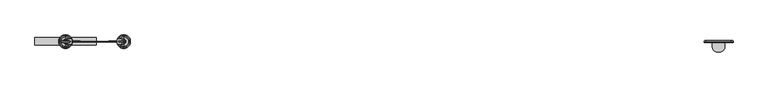
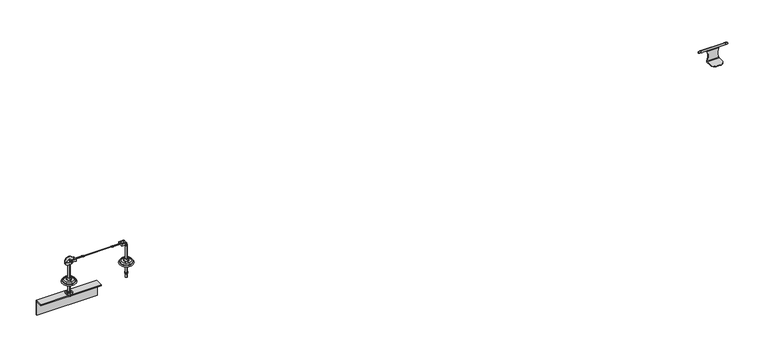
"""IFC4 building model written with IfcOpenShell, lengths in millimetres: proxy geometry."""

from ifc_helpers import new_model, si_unit, point, frame, frame_2d, origin, origin_2d, place, context, project, spatial, polyline, circle_curve, ellipse_curve, trimmed, segment, composite_curve, outline, extrude, source, transform, mapped, element, save
from ifc_brep_helpers import plane_surface, cylinder_surface, revolved_surface, advanced_brep


def specialty_equipment_351a2531(model_context):
    return source(origin(), model_context, "Body", "SolidModel", [
        advanced_brep(
        [(4310.0, -1.0, 57.0), (4310.0, 2.0, 60.0), (4310.0, 2.0, 63.0), (4310.0, -1.0, 63.0), (4310.0, -4.0, 60.0), (4310.0, -38.5, 60.0), (4310.0, -38.5, 57.0), (4310.0, 2.0, 130.6941216), (4310.0, 2.1809221, 131.6278656), (4310.0, 4.1490388, 138.4964536), (4310.0, 0.0, 137.0), (4310.0, -3.3038426, 137.9022661), (4310.0, -1.1809221, 131.720182), (4310.0, -1.0, 130.6941216), (4230.0, -4.0, 60.0), (4230.0, -1.0, 63.0), (4230.0, 2.0, 63.0), (4230.0, 2.0, 60.0), (4230.0, -1.0, 57.0), (4230.0, -38.5, 57.0), (4230.0, -38.5, 60.0), (4230.0, -1.0, 130.6941216), (4230.0, -1.1809221, 131.720182), (4230.0, -3.3038426, 137.9022661), (4230.0, 0.0, 137.0), (4230.0, 4.1490388, 138.4964536), (4230.0, 2.1809221, 131.6278656), (4230.0, 2.0, 130.6941216), (4260.0, -68.5, 60.0), (4280.0, -68.5, 60.0), (4260.0, -68.5, 57.0), (4280.0, -68.5, 57.0), (4190.0881149, 0.0, 137.0), (4190.0881149, 0.0, 150.0), (4349.9118851, 0.0, 150.0), (4349.9118851, 0.0, 137.0), (4364.9999054, 0.0, 138.5), (4364.9999054, 0.0, 148.5), (4175.0000946, 0.0, 148.5), (4175.0000946, 0.0, 138.5), (4185.411439, 0.0, 149.7256681), (4185.411439, 0.0, 137.2743319), (4354.588561, 0.0, 137.2743319), (4354.588561, 0.0, 149.7256681)],
        [
            (0, 1, circle_curve(frame((4310.0, -1.0, 60.0), z_axis=(1.0, 0.0, 0.0), x_axis=(0.0, 1.0, 0.0)), 3.0)),
            (1, 2),
            (2, 3),
            (3, 4, circle_curve(frame((4310.0, -4.0, 63.0), z_axis=(-1.0, 0.0, 0.0), x_axis=(0.0, 1.0, 0.0)), 3.0)),
            (4, 5),
            (5, 6),
            (6, 0),
            (7, 8, circle_curve(frame((4310.0, 4.5, 130.6941216), z_axis=(-1.0, 0.0, 0.0), x_axis=(0.0, 1.0, 0.0)), 2.5)),
            (8, 9),
            (9, 10, circle_curve(frame((4310.0, 0.0, 143.5), z_axis=(-1.0, 0.0, 0.0), x_axis=(0.0, 0.0, 1.0)), 6.5)),
            (10, 11, circle_curve(frame((4310.0, 0.0, 143.5), z_axis=(-1.0, 0.0, 0.0), x_axis=(0.0, 0.0, 1.0)), 6.5)),
            (11, 12),
            (12, 13, circle_curve(frame((4310.0, -4.0, 130.6941216), z_axis=(-1.0, 0.0, 0.0), x_axis=(0.0, 1.0, 0.0)), 3.0)),
            (13, 7),
            (14, 15, circle_curve(frame((4230.0, -4.0, 63.0), z_axis=(1.0, 0.0, 0.0), x_axis=(0.0, 1.0, 0.0)), 3.0)),
            (15, 16),
            (16, 17),
            (17, 18, circle_curve(frame((4230.0, -1.0, 60.0), z_axis=(-1.0, 0.0, 0.0), x_axis=(0.0, 1.0, 0.0)), 3.0)),
            (18, 19),
            (19, 20),
            (20, 14),
            (21, 22, circle_curve(frame((4230.0, -4.0, 130.6941216), z_axis=(1.0, 0.0, 0.0), x_axis=(0.0, 1.0, 0.0)), 3.0)),
            (22, 23),
            (23, 24, circle_curve(frame((4230.0, 0.0, 143.5), z_axis=(1.0, 0.0, 0.0), x_axis=(0.0, 0.0, 1.0)), 6.5)),
            (24, 25, circle_curve(frame((4230.0, 0.0, 143.5), z_axis=(1.0, 0.0, 0.0), x_axis=(0.0, 0.0, 1.0)), 6.5)),
            (25, 26),
            (26, 27, circle_curve(frame((4230.0, 4.5, 130.6941216), z_axis=(1.0, 0.0, 0.0), x_axis=(0.0, 1.0, 0.0)), 2.5)),
            (27, 21),
            (0, 18),
            (17, 1),
            (16, 27, circle_curve(frame((4168.7270331, 2.0, 96.8470608), z_axis=(0.0, -1.0, 0.0), x_axis=(0.0, 0.0, 1.0)), 70.0)),
            (27, 7),
            (7, 2, circle_curve(frame((4371.2729669, 2.0, 96.8470608), z_axis=(0.0, -1.0, 0.0), x_axis=(0.0, 0.0, 1.0)), 70.0)),
            (3, 15),
            (14, 4),
            (20, 28, circle_curve(frame((4260.0, -38.5, 60.0), z_axis=(0.0, 0.0, 1.0), x_axis=(1.0, 0.0, 0.0)), 30.0)),
            (28, 29),
            (29, 5, circle_curve(frame((4280.0, -38.5, 60.0), z_axis=(0.0, 0.0, 1.0), x_axis=(1.0, 0.0, 0.0)), 30.0)),
            (28, 30),
            (30, 31),
            (31, 29),
            (6, 31, circle_curve(frame((4280.0, -38.5, 57.0), z_axis=(0.0, 0.0, -1.0), x_axis=(1.0, 0.0, 0.0)), 30.0)),
            (30, 19, circle_curve(frame((4260.0, -38.5, 57.0), z_axis=(0.0, 0.0, -1.0), x_axis=(1.0, 0.0, 0.0)), 30.0)),
            (3, 13, circle_curve(frame((4371.2729669, -1.0, 96.8470608), z_axis=(0.0, 1.0, 0.0), x_axis=(0.0, 0.0, 1.0)), 70.0)),
            (13, 21),
            (21, 15, circle_curve(frame((4168.7270331, -1.0, 96.8470608), z_axis=(0.0, 1.0, 0.0), x_axis=(0.0, 0.0, 1.0)), 70.0)),
            (8, 26),
            (25, 9),
            (22, 12),
            (11, 23),
            (32, 33, circle_curve(frame((4190.0881149, 0.0, 143.5), z_axis=(1.0, 0.0, 0.0), x_axis=(0.0, 0.0, 1.0)), 6.5)),
            (33, 34),
            (34, 35, circle_curve(frame((4349.9118851, 0.0, 143.5), z_axis=(-1.0, 0.0, 0.0), x_axis=(0.0, 0.0, 1.0)), 6.5)),
            (35, 10),
            (24, 32),
            (33, 32, circle_curve(frame((4190.0881149, 0.0, 143.5), z_axis=(1.0, 0.0, 0.0), x_axis=(0.0, 0.0, 1.0)), 6.5)),
            (35, 34, circle_curve(frame((4349.9118851, 0.0, 143.5), z_axis=(-1.0, 0.0, 0.0), x_axis=(0.0, 0.0, 1.0)), 6.5)),
            (36, 37, circle_curve(frame((4364.9999054, 0.0, 143.5), z_axis=(1.0, 0.0, 0.0), x_axis=(0.0, 0.0, 1.0)), 5.0)),
            (37, 38),
            (38, 39, circle_curve(frame((4175.0000946, 0.0, 143.5), z_axis=(-1.0, 0.0, 0.0), x_axis=(0.0, 0.0, 1.0)), 5.0)),
            (39, 36),
            (37, 36, circle_curve(frame((4364.9999054, 0.0, 143.5), z_axis=(1.0, 0.0, 0.0), x_axis=(0.0, 0.0, 1.0)), 5.0)),
            (39, 38, circle_curve(frame((4175.0000946, 0.0, 143.5), z_axis=(-1.0, 0.0, 0.0), x_axis=(0.0, 0.0, 1.0)), 5.0)),
            (38, 40),
            (40, 41, circle_curve(frame((4185.411439, 0.0, 143.5), z_axis=(-1.0, 0.0, 0.0), x_axis=(0.0, 0.0, 1.0)), 6.2256681)),
            (41, 39),
            (41, 40, circle_curve(frame((4185.411439, 0.0, 143.5), z_axis=(-1.0, 0.0, 0.0), x_axis=(0.0, 0.0, 1.0)), 6.2256681)),
            (36, 42),
            (42, 43, circle_curve(frame((4354.588561, 0.0, 143.5), z_axis=(1.0, 0.0, 0.0), x_axis=(0.0, 0.0, 1.0)), 6.2256681)),
            (43, 37),
            (43, 42, circle_curve(frame((4354.588561, 0.0, 143.5), z_axis=(1.0, 0.0, 0.0), x_axis=(0.0, 0.0, 1.0)), 6.2256681)),
            (34, 43, circle_curve(frame((4349.9118851, 0.0, 110.0), z_axis=(0.0, 1.0, 0.0), x_axis=(-1.0, 0.0, 0.0)), 40.0)),
            (42, 35, circle_curve(frame((4349.9118851, 0.0, 177.0), z_axis=(0.0, 1.0, 0.0), x_axis=(-1.0, 0.0, 0.0)), 40.0)),
            (32, 41, circle_curve(frame((4190.0881149, 0.0, 177.0), z_axis=(0.0, 1.0, 0.0), x_axis=(-1.0, 0.0, 0.0)), 40.0)),
            (40, 33, circle_curve(frame((4190.0881149, 0.0, 110.0), z_axis=(0.0, 1.0, 0.0), x_axis=(-1.0, 0.0, 0.0)), 40.0)),
        ],
        [
            plane_surface(frame((4310.0, 2.0, 60.0), z_axis=(1.0, 0.0, 0.0), x_axis=(0.0, 0.0, 1.0))),
            plane_surface(frame((4230.0, 2.0, 60.0), z_axis=(-1.0, 0.0, 0.0), x_axis=(0.0, 0.0, -1.0))),
            cylinder_surface(frame((4230.0, -1.0, 60.0), z_axis=(1.0, 0.0, 0.0), x_axis=(0.0, 1.0, 0.0)), 3.0),
            plane_surface(frame((4310.0, 2.0, 60.0), z_axis=(0.0, 1.0, 0.0), x_axis=(-1.0, 0.0, 0.0))),
            revolved_surface(polyline([(4230.0, -1.0, 63.0), (4310.0, -1.0, 63.0)]), (4230.0, -4.0, 63.0), (-1.0, 0.0, 0.0)),
            plane_surface(frame((4310.0, -4.0, 60.0), z_axis=(0.0, 0.0, 1.0), x_axis=(-1.0, 0.0, 0.0))),
            plane_surface(frame((4310.0, -68.5, 60.0), z_axis=(0.0, -1.0, 0.0), x_axis=(-1.0, 0.0, 0.0))),
            plane_surface(frame((4310.0, -68.5, 57.0), z_axis=(0.0, 0.0, -1.0), x_axis=(-1.0, 0.0, 0.0))),
            plane_surface(frame((4310.0, -1.0, 130.6941216), z_axis=(0.0, -1.0, 0.0), x_axis=(-1.0, 0.0, 0.0))),
            plane_surface(frame((4310.0, 2.1809221, 131.6278656), z_axis=(0.0, 0.9613143075666197, -0.2754538111330294), x_axis=(-1.0, 0.0, 0.0))),
            plane_surface(frame((4310.0, -3.5026758, 138.4812817), z_axis=(0.0, -0.9457886598192529, -0.3247827134520888), x_axis=(-1.0, 0.0, 0.0))),
            revolved_surface(polyline([(4230.0, 7.0, 130.6941216), (4310.0, 7.0, 130.6941216)]), (4230.0, 4.5, 130.6941216), (-1.0, 0.0, 0.0)),
            revolved_surface(polyline([(4230.0, -1.0, 130.6941216), (4310.0, -1.0, 130.6941216)]), (4230.0, -4.0, 130.6941216), (-1.0, 0.0, 0.0)),
            revolved_surface(polyline([(4168.7270331, 2.0, 166.8470608), (4168.7270331, -1.0, 166.8470608)]), (4168.7270331, -1.0, 96.8470608), (0.0, 1.0, 0.0)),
            revolved_surface(polyline([(4371.2729669, 2.0, 166.8470608), (4371.2729669, -1.0, 166.8470608)]), (4371.2729669, -1.0, 96.8470608), (0.0, 1.0, 0.0)),
            cylinder_surface(frame((4260.0, -38.5, 60.0), z_axis=(0.0, 0.0, 1.0), x_axis=(1.0, 0.0, 0.0)), 30.0),
            cylinder_surface(frame((4280.0, -38.5, 60.0), z_axis=(0.0, 0.0, 1.0), x_axis=(1.0, 0.0, 0.0)), 30.0),
            cylinder_surface(frame((4175.0, 0.0, 143.5), z_axis=(-1.0, 0.0, 0.0), x_axis=(0.0, 0.0, 1.0)), 6.5),
            revolved_surface(polyline([(4175.0000946, 0.0, 148.5), (4364.9999054, 0.0, 148.5)]), (4175.0, 0.0, 143.5), (-1.0, 0.0, 0.0)),
            revolved_surface(polyline([(4185.411439, 0.0, 149.7256681), (4175.0000946, 0.0, 148.5)]), (4175.0, 0.0, 143.5), (-1.0, 0.0, 0.0)),
            revolved_surface(polyline([(4364.9999054, 0.0, 148.5), (4354.588561, 0.0, 149.7256681)]), (4175.0, 0.0, 143.5), (-1.0, 0.0, 0.0)),
            revolved_surface(trimmed(ellipse_curve(frame((4349.9118851, 0.0, 110.0), z_axis=(0.0, -1.0, 0.0), x_axis=(-1.0, 0.0, 0.0)), 40.0, 40.0), [point((4354.588561, 0.0, 149.7256681))], [point((4349.9118851, 0.0, 150.0))], True, "CARTESIAN"), (4175.0, 0.0, 143.5), (-1.0, 0.0, 0.0)),
            revolved_surface(trimmed(ellipse_curve(frame((4190.0881149, 0.0, 110.0), z_axis=(0.0, -1.0, 0.0), x_axis=(-1.0, 0.0, 0.0)), 40.0, 40.0), [point((4190.0881149, 0.0, 150.0))], [point((4185.411439, 0.0, 149.7256681))], True, "CARTESIAN"), (4175.0, 0.0, 143.5), (-1.0, 0.0, 0.0)),
        ],
        [
            (0, [[1, 2, 3, 4, 5, 6, 7]]),
            (0, [[8, 9, 10, 11, 12, 13, 14]]),
            (1, [[15, 16, 17, 18, 19, 20, 21]]),
            (1, [[22, 23, 24, 25, 26, 27, 28]]),
            (2, [[-1, 29, -18, 30]]),
            (3, [[-30, -17, 31, 32, 33, -2]]),
            (4, [[-4, 34, -15, 35]]),
            (5, [[-35, -21, 36, 37, 38, -5]]),
            (6, [[-37, 39, 40, 41]]),
            (7, [[-29, -7, 42, -40, 43, -19]]),
            (8, [[-34, 44, 45, 46]]),
            (9, [[47, -26, 48, -9]]),
            (10, [[49, -12, 50, -23]]),
            (11, [[-8, -32, -27, -47]]),
            (12, [[-13, -49, -22, -45]]),
            (13, [[-16, -46, -28, -31]]),
            (14, [[-14, -44, -3, -33]]),
            (15, [[-20, -43, -39, -36]]),
            (16, [[-6, -38, -41, -42]]),
            (17, [[51, 52, 53, 54, -10, -48, -25, 55]]),
            (17, [[-52, 56, -55, -24, -50, -11, -54, 57]]),
            (18, [[58, 59, 60, 61]]),
            (18, [[-59, 62, -61, 63]]),
            (19, [[-60, 64, 65, 66]]),
            (19, [[-63, -66, 67, -64]]),
            (20, [[-58, 68, 69, 70]]),
            (20, [[-62, -70, 71, -68]]),
            (21, [[-53, 72, -69, 73]]),
            (21, [[-57, -73, -71, -72]]),
            (22, [[-51, 74, -65, 75]]),
            (22, [[-56, -75, -67, -74]]),
        ],
    ),
        advanced_brep(
        [(0.0, 45.0, 0.0), (0.0, -45.0, 0.0), (0.0, -7.0, 0.0), (0.0, 7.0, 0.0), (0.0, -7.0, -100.0), (0.0, 7.0, -100.0), (0.0, 0.0, -100.0), (0.0, 0.0, 121.6303144), (0.0, -6.9, 121.6303144), (0.0, 6.9, 121.6303144), (0.0, -6.9, 28.0512021), (0.0, 6.9, 28.0512021), (0.0, 7.995656, 24.9277269), (0.0, -7.995656, 24.9277269), (0.0, -13.6366177, 17.8765248), (0.0, 13.6366177, 17.8765248), (0.0, 17.5409617, 16.0), (0.0, -17.5409617, 16.0), (0.0, -30.1640518, 16.0), (0.0, 30.1640518, 16.0), (0.0, -37.6378375, 8.5262143), (0.0, 37.6378375, 8.5262143), (0.0, -37.6378375, 6.8656759), (0.0, 37.6378375, 6.8656759), (0.0, -38.448306, 5.8712826), (0.0, 38.448306, 5.8712826)],
        [
            (0, 1, circle_curve(frame((0.0, 0.0, 0.0), z_axis=(0.0, 0.0, -1.0), x_axis=(0.0, -1.0, 0.0)), 45.0)),
            (1, 2),
            (2, 3, circle_curve(frame((0.0, 0.0, 0.0), z_axis=(0.0, 0.0, 1.0), x_axis=(0.0, -1.0, 0.0)), 7.0)),
            (3, 0),
            (1, 0, circle_curve(frame((0.0, 0.0, 0.0), z_axis=(0.0, 0.0, -1.0), x_axis=(0.0, -1.0, 0.0)), 45.0)),
            (3, 2, circle_curve(frame((0.0, 0.0, 0.0), z_axis=(0.0, 0.0, 1.0), x_axis=(0.0, -1.0, 0.0)), 7.0)),
            (2, 4),
            (4, 5, circle_curve(frame((0.0, 0.0, -100.0), z_axis=(0.0, 0.0, 1.0), x_axis=(0.0, -1.0, 0.0)), 7.0)),
            (5, 3),
            (5, 4, circle_curve(frame((0.0, 0.0, -100.0), z_axis=(0.0, 0.0, 1.0), x_axis=(0.0, -1.0, 0.0)), 7.0)),
            (4, 6),
            (6, 5),
            (7, 8),
            (8, 9, circle_curve(frame((0.0, 0.0, 121.6303144), z_axis=(0.0, 0.0, 1.0), x_axis=(0.0, -1.0, 0.0)), 6.9)),
            (9, 7),
            (9, 8, circle_curve(frame((0.0, 0.0, 121.6303144), z_axis=(0.0, 0.0, 1.0), x_axis=(0.0, -1.0, 0.0)), 6.9)),
            (8, 10),
            (10, 11, circle_curve(frame((0.0, 0.0, 28.0512021), z_axis=(0.0, 0.0, 1.0), x_axis=(0.0, -1.0, 0.0)), 6.9)),
            (11, 9),
            (11, 10, circle_curve(frame((0.0, 0.0, 28.0512021), z_axis=(0.0, 0.0, 1.0), x_axis=(0.0, -1.0, 0.0)), 6.9)),
            (12, 13, circle_curve(frame((0.0, 0.0, 24.9277269), z_axis=(0.0, 0.0, -1.0), x_axis=(0.0, -1.0, 0.0)), 7.995656)),
            (13, 14),
            (14, 15, circle_curve(frame((0.0, 0.0, 17.8765248), z_axis=(0.0, 0.0, 1.0), x_axis=(0.0, -1.0, 0.0)), 13.6366177)),
            (15, 12),
            (13, 12, circle_curve(frame((0.0, 0.0, 24.9277269), z_axis=(0.0, 0.0, -1.0), x_axis=(0.0, -1.0, 0.0)), 7.995656)),
            (15, 14, circle_curve(frame((0.0, 0.0, 17.8765248), z_axis=(0.0, 0.0, 1.0), x_axis=(0.0, -1.0, 0.0)), 13.6366177)),
            (16, 17, circle_curve(frame((0.0, 0.0, 16.0), z_axis=(0.0, 0.0, -1.0), x_axis=(0.0, -1.0, 0.0)), 17.5409617)),
            (17, 18),
            (18, 19, circle_curve(frame((0.0, 0.0, 16.0), z_axis=(0.0, 0.0, 1.0), x_axis=(0.0, -1.0, 0.0)), 30.1640518)),
            (19, 16),
            (17, 16, circle_curve(frame((0.0, 0.0, 16.0), z_axis=(0.0, 0.0, -1.0), x_axis=(0.0, -1.0, 0.0)), 17.5409617)),
            (19, 18, circle_curve(frame((0.0, 0.0, 16.0), z_axis=(0.0, 0.0, 1.0), x_axis=(0.0, -1.0, 0.0)), 30.1640518)),
            (18, 20, circle_curve(frame((0.0, -30.1640518, 8.5262143), z_axis=(1.0, 0.0, 0.0), x_axis=(0.0, 1.0, 0.0)), 7.4737857)),
            (20, 21, circle_curve(frame((0.0, 0.0, 8.5262143), z_axis=(0.0, 0.0, 1.0), x_axis=(0.0, -1.0, 0.0)), 37.6378375)),
            (21, 19, circle_curve(frame((0.0, 30.1640518, 8.5262143), z_axis=(1.0, 0.0, 0.0), x_axis=(0.0, -1.0, 0.0)), 7.4737857)),
            (21, 20, circle_curve(frame((0.0, 0.0, 8.5262143), z_axis=(0.0, 0.0, 1.0), x_axis=(0.0, -1.0, 0.0)), 37.6378375)),
            (20, 22),
            (22, 23, circle_curve(frame((0.0, 0.0, 6.8656759), z_axis=(0.0, 0.0, 1.0), x_axis=(0.0, -1.0, 0.0)), 37.6378375)),
            (23, 21),
            (23, 22, circle_curve(frame((0.0, 0.0, 6.8656759), z_axis=(0.0, 0.0, 1.0), x_axis=(0.0, -1.0, 0.0)), 37.6378375)),
            (10, 13, circle_curve(frame((0.0, -11.9, 28.0512021), z_axis=(-1.0, 0.0, 0.0), x_axis=(0.0, 1.0, 0.0)), 5.0)),
            (12, 11, circle_curve(frame((0.0, 11.9, 28.0512021), z_axis=(-1.0, 0.0, 0.0), x_axis=(0.0, -1.0, 0.0)), 5.0)),
            (14, 17, circle_curve(frame((0.0, -17.5409617, 21.0), z_axis=(-1.0, 0.0, 0.0), x_axis=(0.0, 1.0, 0.0)), 5.0)),
            (16, 15, circle_curve(frame((0.0, 17.5409617, 21.0), z_axis=(-1.0, 0.0, 0.0), x_axis=(0.0, -1.0, 0.0)), 5.0)),
            (22, 24, circle_curve(frame((0.0, -38.6531003, 6.8656759), z_axis=(-1.0, 0.0, 0.0), x_axis=(0.0, 1.0, 0.0)), 1.0152629)),
            (24, 25, circle_curve(frame((0.0, 0.0, 5.8712826), z_axis=(0.0, 0.0, 1.0), x_axis=(0.0, -1.0, 0.0)), 38.448306)),
            (25, 23, circle_curve(frame((0.0, 38.6531003, 6.8656759), z_axis=(-1.0, 0.0, 0.0), x_axis=(0.0, -1.0, 0.0)), 1.0152629)),
            (25, 24, circle_curve(frame((0.0, 0.0, 5.8712826), z_axis=(0.0, 0.0, 1.0), x_axis=(0.0, -1.0, 0.0)), 38.448306)),
            (24, 1, circle_curve(frame((0.0, -36.6858246, -2.686569), z_axis=(1.0, 0.0, 0.0), x_axis=(0.0, 1.0, 0.0)), 8.7374576)),
            (0, 25, circle_curve(frame((0.0, 36.6858246, -2.686569), z_axis=(1.0, 0.0, 0.0), x_axis=(0.0, -1.0, 0.0)), 8.7374576)),
        ],
        [
            plane_surface(frame((0.0, 0.0, 0.0), z_axis=(0.0, 0.0, -1.0), x_axis=(0.0, -1.0, 0.0))),
            cylinder_surface(frame((0.0, 0.0, 93.0), z_axis=(0.0, 0.0, 1.0), x_axis=(0.0, -1.0, 0.0)), 7.0),
            plane_surface(frame((0.0, 0.0, -100.0), z_axis=(0.0, 0.0, -1.0), x_axis=(0.0, -1.0, 0.0))),
            plane_surface(frame((0.0, 0.0, 121.6303144), z_axis=(0.0, 0.0, 1.0), x_axis=(0.0, -1.0, 0.0))),
            cylinder_surface(frame((0.0, 0.0, 93.0), z_axis=(0.0, 0.0, 1.0), x_axis=(0.0, -1.0, 0.0)), 6.9),
            revolved_surface(polyline([(0.0, -13.6366177, 17.8765248), (0.0, -7.995656, 24.9277269)]), (0.0, 0.0, 93.0), (0.0, 0.0, 1.0)),
            plane_surface(frame((0.0, 0.0, 16.0), z_axis=(0.0, 0.0, 1.0), x_axis=(0.0, -1.0, 0.0))),
            revolved_surface(trimmed(ellipse_curve(frame((0.0, -30.1640518, 8.5262143), z_axis=(-1.0, 0.0, 0.0), x_axis=(0.0, 1.0, 0.0)), 7.4737857, 7.4737857), [point((0.0, -37.6378375, 8.5262143))], [point((0.0, -30.1640518, 16.0))], True, "CARTESIAN"), (0.0, 0.0, 93.0), (0.0, 0.0, 1.0)),
            cylinder_surface(frame((0.0, 0.0, 93.0), z_axis=(0.0, 0.0, 1.0), x_axis=(0.0, -1.0, 0.0)), 37.6378375),
            revolved_surface(trimmed(ellipse_curve(frame((0.0, -11.9, 28.0512021), z_axis=(1.0, 0.0, 0.0), x_axis=(0.0, 1.0, 0.0)), 5.0, 5.0), [point((0.0, -7.995656, 24.9277269))], [point((0.0, -6.9, 28.0512021))], True, "CARTESIAN"), (0.0, 0.0, 93.0), (0.0, 0.0, 1.0)),
            revolved_surface(trimmed(ellipse_curve(frame((0.0, -17.5409617, 21.0), z_axis=(1.0, 0.0, 0.0), x_axis=(0.0, 1.0, 0.0)), 5.0, 5.0), [point((0.0, -17.5409617, 16.0))], [point((0.0, -13.6366177, 17.8765248))], True, "CARTESIAN"), (0.0, 0.0, 93.0), (0.0, 0.0, 1.0)),
            revolved_surface(trimmed(ellipse_curve(frame((0.0, -38.6531003, 6.8656759), z_axis=(1.0, 0.0, 0.0), x_axis=(0.0, 1.0, 0.0)), 1.0152629, 1.0152629), [point((0.0, -38.448306, 5.8712826))], [point((0.0, -37.6378375, 6.8656759))], True, "CARTESIAN"), (0.0, 0.0, 93.0), (0.0, 0.0, 1.0)),
            revolved_surface(trimmed(ellipse_curve(frame((0.0, -36.6858246, -2.686569), z_axis=(-1.0, 0.0, 0.0), x_axis=(0.0, 1.0, 0.0)), 8.7374576, 8.7374576), [point((0.0, -45.0, 0.0))], [point((0.0, -38.448306, 5.8712826))], True, "CARTESIAN"), (0.0, 0.0, 93.0), (0.0, 0.0, 1.0)),
        ],
        [
            (0, [[1, 2, 3, 4]]),
            (0, [[5, -4, 6, -2]]),
            (1, [[-3, 7, 8, 9]]),
            (1, [[-6, -9, 10, -7]]),
            (2, [[-8, 11, 12]]),
            (2, [[-10, -12, -11]]),
            (3, [[13, 14, 15]]),
            (3, [[-15, 16, -13]]),
            (4, [[-14, 17, 18, 19]]),
            (4, [[-16, -19, 20, -17]]),
            (5, [[21, 22, 23, 24]]),
            (5, [[25, -24, 26, -22]]),
            (6, [[27, 28, 29, 30]]),
            (6, [[31, -30, 32, -28]]),
            (7, [[-29, 33, 34, 35]]),
            (7, [[-32, -35, 36, -33]]),
            (8, [[-34, 37, 38, 39]]),
            (8, [[-36, -39, 40, -37]]),
            (9, [[-18, 41, -21, 42]]),
            (9, [[-20, -42, -25, -41]]),
            (10, [[-23, 43, -27, 44]]),
            (10, [[-26, -44, -31, -43]]),
            (11, [[-38, 45, 46, 47]]),
            (11, [[-40, -47, 48, -45]]),
            (12, [[-46, 49, -1, 50]]),
            (12, [[-48, -50, -5, -49]]),
        ],
    ),
        advanced_brep(
        [(379.9756749, 7.0, 0.0), (379.9756749, -7.0, 0.0), (379.9756749, -45.0, 0.0), (379.9756749, 45.0, 0.0), (379.9756749, 7.0, -100.0), (379.9756749, -7.0, -100.0), (379.9756749, 0.0, -100.0), (379.9756749, 6.9, 121.6303144), (379.9756749, -6.9, 121.6303144), (379.9756749, 0.0, 121.6303144), (379.9756749, 6.9, 28.0512021), (379.9756749, -6.9, 28.0512021), (379.9756749, 13.6366177, 17.8765248), (379.9756749, -13.6366177, 17.8765248), (379.9756749, -7.995656, 24.9277269), (379.9756749, 7.995656, 24.9277269), (379.9756749, 30.1640518, 16.0), (379.9756749, -30.1640518, 16.0), (379.9756749, -17.5409617, 16.0), (379.9756749, 17.5409617, 16.0), (379.9756749, 37.6378375, 8.5262143), (379.9756749, -37.6378375, 8.5262143), (379.9756749, 37.6378375, 6.8656759), (379.9756749, -37.6378375, 6.8656759), (379.9756749, 38.448306, 5.8712826), (379.9756749, -38.448306, 5.8712826)],
        [
            (0, 1, circle_curve(frame((379.9756749, 0.0, 0.0), z_axis=(0.0, 0.0, 1.0), x_axis=(0.0, -1.0, 0.0)), 7.0)),
            (1, 2),
            (2, 3, circle_curve(frame((379.9756749, 0.0, 0.0), z_axis=(0.0, 0.0, -1.0), x_axis=(0.0, -1.0, 0.0)), 45.0)),
            (3, 0),
            (1, 0, circle_curve(frame((379.9756749, 0.0, 0.0), z_axis=(0.0, 0.0, 1.0), x_axis=(0.0, -1.0, 0.0)), 7.0)),
            (3, 2, circle_curve(frame((379.9756749, 0.0, 0.0), z_axis=(0.0, 0.0, -1.0), x_axis=(0.0, -1.0, 0.0)), 45.0)),
            (4, 5, circle_curve(frame((379.9756749, 0.0, -100.0), z_axis=(0.0, 0.0, 1.0), x_axis=(0.0, -1.0, 0.0)), 7.0)),
            (5, 1),
            (0, 4),
            (5, 4, circle_curve(frame((379.9756749, 0.0, -100.0), z_axis=(0.0, 0.0, 1.0), x_axis=(0.0, -1.0, 0.0)), 7.0)),
            (6, 5),
            (4, 6),
            (7, 8, circle_curve(frame((379.9756749, 0.0, 121.6303144), z_axis=(0.0, 0.0, 1.0), x_axis=(0.0, -1.0, 0.0)), 6.9)),
            (8, 9),
            (9, 7),
            (8, 7, circle_curve(frame((379.9756749, 0.0, 121.6303144), z_axis=(0.0, 0.0, 1.0), x_axis=(0.0, -1.0, 0.0)), 6.9)),
            (10, 11, circle_curve(frame((379.9756749, 0.0, 28.0512021), z_axis=(0.0, 0.0, 1.0), x_axis=(0.0, -1.0, 0.0)), 6.9)),
            (11, 8),
            (7, 10),
            (11, 10, circle_curve(frame((379.9756749, 0.0, 28.0512021), z_axis=(0.0, 0.0, 1.0), x_axis=(0.0, -1.0, 0.0)), 6.9)),
            (12, 13, circle_curve(frame((379.9756749, 0.0, 17.8765248), z_axis=(0.0, 0.0, 1.0), x_axis=(0.0, -1.0, 0.0)), 13.6366177)),
            (13, 14),
            (14, 15, circle_curve(frame((379.9756749, 0.0, 24.9277269), z_axis=(0.0, 0.0, -1.0), x_axis=(0.0, -1.0, 0.0)), 7.995656)),
            (15, 12),
            (13, 12, circle_curve(frame((379.9756749, 0.0, 17.8765248), z_axis=(0.0, 0.0, 1.0), x_axis=(0.0, -1.0, 0.0)), 13.6366177)),
            (15, 14, circle_curve(frame((379.9756749, 0.0, 24.9277269), z_axis=(0.0, 0.0, -1.0), x_axis=(0.0, -1.0, 0.0)), 7.995656)),
            (16, 17, circle_curve(frame((379.9756749, 0.0, 16.0), z_axis=(0.0, 0.0, 1.0), x_axis=(0.0, -1.0, 0.0)), 30.1640518)),
            (17, 18),
            (18, 19, circle_curve(frame((379.9756749, 0.0, 16.0), z_axis=(0.0, 0.0, -1.0), x_axis=(0.0, -1.0, 0.0)), 17.5409617)),
            (19, 16),
            (17, 16, circle_curve(frame((379.9756749, 0.0, 16.0), z_axis=(0.0, 0.0, 1.0), x_axis=(0.0, -1.0, 0.0)), 30.1640518)),
            (19, 18, circle_curve(frame((379.9756749, 0.0, 16.0), z_axis=(0.0, 0.0, -1.0), x_axis=(0.0, -1.0, 0.0)), 17.5409617)),
            (20, 21, circle_curve(frame((379.9756749, 0.0, 8.5262143), z_axis=(0.0, 0.0, 1.0), x_axis=(0.0, -1.0, 0.0)), 37.6378375)),
            (21, 17, circle_curve(frame((379.9756749, -30.1640518, 8.5262143), z_axis=(-1.0, 0.0, 0.0), x_axis=(0.0, 1.0, 0.0)), 7.4737857)),
            (16, 20, circle_curve(frame((379.9756749, 30.1640518, 8.5262143), z_axis=(-1.0, 0.0, 0.0), x_axis=(0.0, -1.0, 0.0)), 7.4737857)),
            (21, 20, circle_curve(frame((379.9756749, 0.0, 8.5262143), z_axis=(0.0, 0.0, 1.0), x_axis=(0.0, -1.0, 0.0)), 37.6378375)),
            (22, 23, circle_curve(frame((379.9756749, 0.0, 6.8656759), z_axis=(0.0, 0.0, 1.0), x_axis=(0.0, -1.0, 0.0)), 37.6378375)),
            (23, 21),
            (20, 22),
            (23, 22, circle_curve(frame((379.9756749, 0.0, 6.8656759), z_axis=(0.0, 0.0, 1.0), x_axis=(0.0, -1.0, 0.0)), 37.6378375)),
            (14, 11, circle_curve(frame((379.9756749, -11.9, 28.0512021), z_axis=(1.0, 0.0, 0.0), x_axis=(0.0, 1.0, 0.0)), 5.0)),
            (10, 15, circle_curve(frame((379.9756749, 11.9, 28.0512021), z_axis=(1.0, 0.0, 0.0), x_axis=(0.0, -1.0, 0.0)), 5.0)),
            (18, 13, circle_curve(frame((379.9756749, -17.5409617, 21.0), z_axis=(1.0, 0.0, 0.0), x_axis=(0.0, 1.0, 0.0)), 5.0)),
            (12, 19, circle_curve(frame((379.9756749, 17.5409617, 21.0), z_axis=(1.0, 0.0, 0.0), x_axis=(0.0, -1.0, 0.0)), 5.0)),
            (24, 25, circle_curve(frame((379.9756749, 0.0, 5.8712826), z_axis=(0.0, 0.0, 1.0), x_axis=(0.0, -1.0, 0.0)), 38.448306)),
            (25, 23, circle_curve(frame((379.9756749, -38.6531003, 6.8656759), z_axis=(1.0, 0.0, 0.0), x_axis=(0.0, 1.0, 0.0)), 1.0152629)),
            (22, 24, circle_curve(frame((379.9756749, 38.6531003, 6.8656759), z_axis=(1.0, 0.0, 0.0), x_axis=(0.0, -1.0, 0.0)), 1.0152629)),
            (25, 24, circle_curve(frame((379.9756749, 0.0, 5.8712826), z_axis=(0.0, 0.0, 1.0), x_axis=(0.0, -1.0, 0.0)), 38.448306)),
            (2, 25, circle_curve(frame((379.9756749, -36.6858246, -2.686569), z_axis=(-1.0, 0.0, 0.0), x_axis=(0.0, 1.0, 0.0)), 8.7374576)),
            (24, 3, circle_curve(frame((379.9756749, 36.6858246, -2.686569), z_axis=(-1.0, 0.0, 0.0), x_axis=(0.0, -1.0, 0.0)), 8.7374576)),
        ],
        [
            plane_surface(frame((379.9756749, 0.0, 0.0), z_axis=(0.0, 0.0, -1.0), x_axis=(0.0, -1.0, 0.0))),
            cylinder_surface(frame((379.9756749, 0.0, 93.0), z_axis=(0.0, 0.0, -1.0), x_axis=(0.0, -1.0, 0.0)), 7.0),
            plane_surface(frame((379.9756749, 0.0, -100.0), z_axis=(0.0, 0.0, -1.0), x_axis=(0.0, -1.0, 0.0))),
            plane_surface(frame((379.9756749, 0.0, 121.6303144), z_axis=(0.0, 0.0, 1.0), x_axis=(0.0, -1.0, 0.0))),
            cylinder_surface(frame((379.9756749, 0.0, 93.0), z_axis=(0.0, 0.0, -1.0), x_axis=(0.0, -1.0, 0.0)), 6.9),
            revolved_surface(polyline([(379.9756749, -7.995656, 24.9277269), (379.9756749, -13.6366177, 17.8765248)]), (379.9756749, 0.0, 93.0), (0.0, 0.0, -1.0)),
            plane_surface(frame((379.9756749, 0.0, 16.0), z_axis=(0.0, 0.0, 1.0), x_axis=(0.0, -1.0, 0.0))),
            revolved_surface(trimmed(ellipse_curve(frame((379.9756749, -30.1640518, 8.5262143), z_axis=(1.0, 0.0, 0.0), x_axis=(0.0, 1.0, 0.0)), 7.4737857, 7.4737857), [point((379.9756749, -30.1640518, 16.0))], [point((379.9756749, -37.6378375, 8.5262143))], True, "CARTESIAN"), (379.9756749, 0.0, 93.0), (0.0, 0.0, -1.0)),
            cylinder_surface(frame((379.9756749, 0.0, 93.0), z_axis=(0.0, 0.0, -1.0), x_axis=(0.0, -1.0, 0.0)), 37.6378375),
            revolved_surface(trimmed(ellipse_curve(frame((379.9756749, -11.9, 28.0512021), z_axis=(-1.0, 0.0, 0.0), x_axis=(0.0, 1.0, 0.0)), 5.0, 5.0), [point((379.9756749, -6.9, 28.0512021))], [point((379.9756749, -7.995656, 24.9277269))], True, "CARTESIAN"), (379.9756749, 0.0, 93.0), (0.0, 0.0, -1.0)),
            revolved_surface(trimmed(ellipse_curve(frame((379.9756749, -17.5409617, 21.0), z_axis=(-1.0, 0.0, 0.0), x_axis=(0.0, 1.0, 0.0)), 5.0, 5.0), [point((379.9756749, -13.6366177, 17.8765248))], [point((379.9756749, -17.5409617, 16.0))], True, "CARTESIAN"), (379.9756749, 0.0, 93.0), (0.0, 0.0, -1.0)),
            revolved_surface(trimmed(ellipse_curve(frame((379.9756749, -38.6531003, 6.8656759), z_axis=(-1.0, 0.0, 0.0), x_axis=(0.0, 1.0, 0.0)), 1.0152629, 1.0152629), [point((379.9756749, -37.6378375, 6.8656759))], [point((379.9756749, -38.448306, 5.8712826))], True, "CARTESIAN"), (379.9756749, 0.0, 93.0), (0.0, 0.0, -1.0)),
            revolved_surface(trimmed(ellipse_curve(frame((379.9756749, -36.6858246, -2.686569), z_axis=(1.0, 0.0, 0.0), x_axis=(0.0, 1.0, 0.0)), 8.7374576, 8.7374576), [point((379.9756749, -38.448306, 5.8712826))], [point((379.9756749, -45.0, 0.0))], True, "CARTESIAN"), (379.9756749, 0.0, 93.0), (0.0, 0.0, -1.0)),
        ],
        [
            (0, [[1, 2, 3, 4]]),
            (0, [[5, -4, 6, -2]]),
            (1, [[7, 8, -1, 9]]),
            (1, [[10, -9, -5, -8]]),
            (2, [[11, -7, 12]]),
            (2, [[-12, -10, -11]]),
            (3, [[13, 14, 15]]),
            (3, [[16, -15, -14]]),
            (4, [[17, 18, -13, 19]]),
            (4, [[20, -19, -16, -18]]),
            (5, [[21, 22, 23, 24]]),
            (5, [[25, -24, 26, -22]]),
            (6, [[27, 28, 29, 30]]),
            (6, [[31, -30, 32, -28]]),
            (7, [[33, 34, -27, 35]]),
            (7, [[36, -35, -31, -34]]),
            (8, [[37, 38, -33, 39]]),
            (8, [[40, -39, -36, -38]]),
            (9, [[-23, 41, -17, 42]]),
            (9, [[-26, -42, -20, -41]]),
            (10, [[-29, 43, -21, 44]]),
            (10, [[-32, -44, -25, -43]]),
            (11, [[45, 46, -37, 47]]),
            (11, [[48, -47, -40, -46]]),
            (12, [[-3, 49, -45, 50]]),
            (12, [[-6, -50, -48, -49]]),
        ],
    ),
        extrude(outline(polyline([(0.0378375, 147.2159586), (3.255952, 145.3579793), (3.255952, 141.6420207), (0.0378375, 139.7840414), (-3.1802771, 141.6420207), (-3.1802771, 145.3579793), (0.0378375, 147.2159586)])), frame((90.0, 0.0, 0.0), z_axis=(1.0, 0.0, 0.0), x_axis=(0.0, 1.0, 0.0)), (0.0, 0.0, 1.0), 6.0),
        extrude(outline(polyline([(0.0378375, 147.2159586), (3.255952, 145.3579793), (3.255952, 141.6420207), (0.0378375, 139.7840414), (-3.1802771, 141.6420207), (-3.1802771, 145.3579793), (0.0378375, 147.2159586)])), frame((283.9756749, 0.0, 0.0), z_axis=(1.0, 0.0, 0.0), x_axis=(0.0, 1.0, 0.0)), (0.0, 0.0, 1.0), 6.0),
        extrude(outline(composite_curve([segment(trimmed(circle_curve(frame_2d((0.0378375, 143.5)), 2.0), [point((0.0378375, 145.5))], [point((0.0378375, 141.5))], False, "CARTESIAN"), True, "CONTINUOUS"), segment(trimmed(circle_curve(frame_2d((0.0378375, 143.5)), 2.0), [point((0.0378375, 141.5))], [point((0.0378375, 145.5))], False, "CARTESIAN"), True, "CONTINUOUS")], self_intersect=False)), frame((289.9756749, 0.0, 0.0), z_axis=(1.0, 0.0, 0.0), x_axis=(0.0, 1.0, 0.0)), (0.0, 0.0, 1.0), 50.0),
        advanced_brep(
        [(95.9878375, 0.0, 144.9991883), (95.9878375, 0.0, 142.0008117), (95.9878375, 0.0, 143.5), (283.9878375, 0.0, 144.4598668), (283.9878375, 0.0, 142.5401332), (283.9878375, 0.0, 143.5)],
        [
            (0, 1, circle_curve(frame((95.9878375, 0.0, 143.5), z_axis=(-1.0, 0.0, 0.0), x_axis=(0.0, 0.0, -1.0)), 1.4991883)),
            (1, 2),
            (2, 0),
            (1, 0, circle_curve(frame((95.9878375, 0.0, 143.5), z_axis=(-1.0, 0.0, 0.0), x_axis=(0.0, 0.0, -1.0)), 1.4991883)),
            (3, 4, circle_curve(frame((283.9878375, 0.0, 143.5), z_axis=(-1.0, 0.0, 0.0), x_axis=(0.0, 0.0, -1.0)), 0.9598668)),
            (4, 1, circle_curve(frame((185.3156853, 0.0, 1770.9180993), z_axis=(0.0, 1.0, 0.0), x_axis=(1.0, 0.0, 0.0)), 1631.3647643)),
            (0, 3, circle_curve(frame((185.3156853, 0.0, -1483.9180993), z_axis=(0.0, 1.0, 0.0), x_axis=(1.0, 0.0, 0.0)), 1631.3647643)),
            (4, 3, circle_curve(frame((283.9878375, 0.0, 143.5), z_axis=(-1.0, 0.0, 0.0), x_axis=(0.0, 0.0, -1.0)), 0.9598668)),
            (5, 4),
            (3, 5),
        ],
        [
            plane_surface(frame((95.9878375, 0.0, 143.5), z_axis=(-1.0, 0.0, 0.0), x_axis=(0.0, 0.0, -1.0))),
            revolved_surface(trimmed(ellipse_curve(frame((185.3156853, 0.0, 1770.9180993), z_axis=(0.0, -1.0, 0.0), x_axis=(1.0, 0.0, 0.0)), 1631.3647643, 1631.3647643), [point((95.9878375, 0.0, 142.0008117))], [point((283.9878375, 0.0, 142.5401332))], True, "CARTESIAN"), (159.9878375, 0.0, 143.5), (1.0, 0.0, 0.0)),
            plane_surface(frame((283.9878375, 0.0, 143.5), z_axis=(1.0, 0.0, 0.0), x_axis=(0.0, 0.0, -1.0))),
        ],
        [
            (0, [[1, 2, 3]]),
            (0, [[4, -3, -2]]),
            (1, [[5, 6, -1, 7]]),
            (1, [[8, -7, -4, -6]]),
            (2, [[9, -5, 10]]),
            (2, [[-10, -8, -9]]),
        ],
    ),
        extrude(outline(composite_curve([segment(trimmed(circle_curve(frame_2d((0.0378375, 143.5)), 2.0), [point((0.0378375, 145.5))], [point((0.0378375, 141.5))], False, "CARTESIAN"), True, "CONTINUOUS"), segment(trimmed(circle_curve(frame_2d((0.0378375, 143.5)), 2.0), [point((0.0378375, 141.5))], [point((0.0378375, 145.5))], False, "CARTESIAN"), True, "CONTINUOUS")], self_intersect=False)), frame((40.0, 0.0, 0.0), z_axis=(1.0, 0.0, 0.0), x_axis=(0.0, 1.0, 0.0)), (0.0, 0.0, 1.0), 50.0),
        extrude(outline(composite_curve([segment(trimmed(circle_curve(frame_2d((143.5, 369.6567828)), 4.0), [point((143.5, 373.6567828))], [point((143.5, 365.6567828))], False, "CARTESIAN"), True, "CONTINUOUS"), segment(trimmed(circle_curve(frame_2d((143.5, 369.6567828)), 4.0), [point((143.5, 365.6567828))], [point((143.5, 373.6567828))], False, "CARTESIAN"), True, "CONTINUOUS")], self_intersect=False)), frame((0.0, -7.7810663, 0.0), z_axis=(0.0, 1.0, 0.0), x_axis=(0.0, 0.0, 1.0)), (0.0, 0.0, 1.0), 15.6923596),
        advanced_brep(
        [(339.9756749, -15.0, 137.1597348), (369.6324577, -15.0, 137.1597348), (369.6324577, -15.0, 149.8402652), (339.9756749, -15.0, 149.8402652), (339.9756749, 15.0, 137.1597348), (339.9756749, 15.0, 149.8402652), (369.6324577, 15.0, 149.8402652), (369.6324577, 15.0, 137.1597348), (369.6324577, -7.7810663, 137.1597348), (369.6324577, -7.7810663, 149.8402652), (369.6324577, 7.9112933, 149.8402652), (369.6324577, 7.9112933, 137.1597348), (344.9756749, -7.7810663, 149.8402652), (344.9756749, 7.9112933, 149.8402652), (344.9756749, 7.9112933, 137.1597348), (344.9756749, -7.7810663, 137.1597348)],
        [
            (0, 1),
            (1, 2, circle_curve(frame((369.6324577, -15.0, 143.5), z_axis=(0.0, -1.0, 0.0), x_axis=(-1.0, 0.0, 0.0)), 6.3402652)),
            (2, 3),
            (3, 0),
            (4, 5),
            (5, 6),
            (6, 7, circle_curve(frame((369.6324577, 15.0, 143.5), z_axis=(0.0, 1.0, 0.0), x_axis=(-1.0, 0.0, 0.0)), 6.3402652)),
            (7, 4),
            (3, 5),
            (4, 0),
            (1, 8),
            (8, 9, circle_curve(frame((369.6324577, -7.7810663, 143.5), z_axis=(0.0, -1.0, 0.0), x_axis=(-1.0, 0.0, 0.0)), 6.3402652)),
            (9, 2),
            (6, 10),
            (10, 11, circle_curve(frame((369.6324577, 7.9112933, 143.5), z_axis=(0.0, 1.0, 0.0), x_axis=(-1.0, 0.0, 0.0)), 6.3402652)),
            (11, 7),
            (9, 12),
            (12, 13),
            (13, 10),
            (11, 14),
            (14, 15),
            (15, 8),
            (14, 13),
            (12, 15),
        ],
        [
            plane_surface(frame((369.6324577, -15.0, 137.1597348), z_axis=(0.0, -1.0, 0.0), x_axis=(1.0, 0.0, 0.0))),
            plane_surface(frame((369.6324577, 15.0, 137.1597348), z_axis=(0.0, 1.0, 0.0), x_axis=(-1.0, 0.0, 0.0))),
            plane_surface(frame((339.9756749, -15.0, 149.8402652), z_axis=(-1.0, 0.0, 0.0), x_axis=(0.0, 1.0, 0.0))),
            cylinder_surface(frame((369.6324577, 15.0, 143.5), z_axis=(0.0, -1.0, 0.0), x_axis=(-1.0, 0.0, 0.0)), 6.3402652),
            plane_surface(frame((369.6324577, -15.0, 149.8402652), z_axis=(0.0, 0.0, 1.0), x_axis=(0.0, 1.0, 0.0))),
            plane_surface(frame((339.9756749, -15.0, 137.1597348), z_axis=(0.0, 0.0, -1.0), x_axis=(0.0, 1.0, 0.0))),
            plane_surface(frame((344.9756749, -7.7810663, 137.1597348), z_axis=(1.0, 0.0, 0.0), x_axis=(0.0, 0.0, 1.0))),
            plane_surface(frame((379.9756749, -7.7810663, 137.1597348), z_axis=(0.0, 1.0, 0.0), x_axis=(0.0, 0.0, 1.0))),
            plane_surface(frame((344.9756749, 7.9112933, 137.1597348), z_axis=(0.0, -1.0, 0.0), x_axis=(0.0, 0.0, 1.0))),
        ],
        [
            (0, [[1, 2, 3, 4]]),
            (1, [[5, 6, 7, 8]]),
            (2, [[-4, 9, -5, 10]]),
            (3, [[-2, 11, 12, 13]]),
            (3, [[-7, 14, 15, 16]]),
            (4, [[-3, -13, 17, 18, 19, -14, -6, -9]]),
            (5, [[-1, -10, -8, -16, 20, 21, 22, -11]]),
            (6, [[23, -18, 24, -21]]),
            (7, [[-24, -17, -12, -22]]),
            (8, [[-23, -20, -15, -19]]),
        ],
    ),
        extrude(outline(composite_curve([segment(trimmed(circle_curve(frame_2d((143.5, 10.3432172)), 4.0), [point((143.5, 6.3432172))], [point((143.5, 14.3432172))], False, "CARTESIAN"), True, "CONTINUOUS"), segment(trimmed(circle_curve(frame_2d((143.5, 10.3432172)), 4.0), [point((143.5, 14.3432172))], [point((143.5, 6.3432172))], False, "CARTESIAN"), True, "CONTINUOUS")], self_intersect=False)), frame((0.0, -7.7810663, 0.0), z_axis=(0.0, 1.0, 0.0), x_axis=(0.0, 0.0, 1.0)), (0.0, 0.0, 1.0), 15.6923596),
        advanced_brep(
        [(-14.5545757, 0.0, 143.5), (14.5545757, 0.0, 143.5), (28.5545757, 0.0, 143.5), (-28.5545757, 0.0, 143.5)],
        [
            (0, 1, circle_curve(frame((0.0, 0.0, 143.5), z_axis=(0.0, 1.0, 0.0), x_axis=(1.0, 0.0, 0.0)), 14.5545757)),
            (1, 2, circle_curve(frame((21.5545757, 0.0, 143.5), z_axis=(0.0, 0.0, 1.0), x_axis=(-1.0, 0.0, 0.0)), 7.0)),
            (2, 3, circle_curve(frame((0.0, 0.0, 143.5), z_axis=(0.0, -1.0, 0.0), x_axis=(1.0, 0.0, 0.0)), 28.5545757)),
            (3, 0, circle_curve(frame((-21.5545757, 0.0, 143.5), z_axis=(0.0, 0.0, 1.0), x_axis=(1.0, 0.0, 0.0)), 7.0)),
            (2, 1, circle_curve(frame((21.5545757, 0.0, 143.5), z_axis=(0.0, 0.0, 1.0), x_axis=(-1.0, 0.0, 0.0)), 7.0)),
            (0, 3, circle_curve(frame((-21.5545757, 0.0, 143.5), z_axis=(0.0, 0.0, 1.0), x_axis=(1.0, 0.0, 0.0)), 7.0)),
            (1, 0, circle_curve(frame((0.0, 0.0, 143.5), z_axis=(0.0, 1.0, 0.0), x_axis=(-1.0, 0.0, 0.0)), 14.5545757)),
            (3, 2, circle_curve(frame((0.0, 0.0, 143.5), z_axis=(0.0, -1.0, 0.0), x_axis=(-1.0, 0.0, 0.0)), 28.5545757)),
        ],
        [
            revolved_surface(trimmed(ellipse_curve(frame((21.5545757, 0.0, 143.5), z_axis=(0.0, 0.0, -1.0), x_axis=(-1.0, 0.0, 0.0)), 7.0, 7.0), [point((28.5545757, 0.0, 143.5))], [point((14.5545757, 0.0, 143.5))], True, "CARTESIAN"), (0.0, 0.0, 143.5), (0.0, -1.0, 0.0)),
            revolved_surface(trimmed(ellipse_curve(frame((21.5545757, 0.0, 143.5), z_axis=(0.0, 0.0, -1.0), x_axis=(-1.0, 0.0, 0.0)), 7.0, 7.0), [point((14.5545757, 0.0, 143.5))], [point((28.5545757, 0.0, 143.5))], True, "CARTESIAN"), (0.0, 0.0, 143.5), (0.0, -1.0, 0.0)),
            revolved_surface(trimmed(ellipse_curve(frame((-21.5545757, 0.0, 143.5), z_axis=(0.0, 0.0, 1.0), x_axis=(1.0, 0.0, 0.0)), 7.0, 7.0), [point((-28.5545757, 0.0, 143.5))], [point((-14.5545757, 0.0, 143.5))], True, "CARTESIAN"), (0.0, 0.0, 143.5), (0.0, -1.0, 0.0)),
            revolved_surface(trimmed(ellipse_curve(frame((-21.5545757, 0.0, 143.5), z_axis=(0.0, 0.0, 1.0), x_axis=(1.0, 0.0, 0.0)), 7.0, 7.0), [point((-14.5545757, 0.0, 143.5))], [point((-28.5545757, 0.0, 143.5))], True, "CARTESIAN"), (0.0, 0.0, 143.5), (0.0, -1.0, 0.0)),
        ],
        [
            (0, [[1, 2, 3, 4]]),
            (1, [[-3, 5, -1, 6]]),
            (2, [[7, -4, 8, -2]]),
            (3, [[-8, -6, -7, -5]]),
        ],
    ),
        extrude(outline(composite_curve([segment(trimmed(circle_curve(frame_2d((143.5, 369.6324577)), 4.0), [point((143.5, 365.6324577))], [point((143.5, 373.6324577))], False, "CARTESIAN"), True, "CONTINUOUS"), segment(trimmed(circle_curve(frame_2d((143.5, 369.6324577)), 4.0), [point((143.5, 373.6324577))], [point((143.5, 365.6324577))], False, "CARTESIAN"), True, "CONTINUOUS")], self_intersect=False)), frame((0.0, 15.0, 0.0), z_axis=(0.0, 1.0, 0.0), x_axis=(0.0, 0.0, 1.0)), (0.0, 0.0, 1.0), 3.0),
        extrude(outline(composite_curve([segment(trimmed(circle_curve(frame_2d((143.5, 369.6324577)), 4.0), [point((143.5, 373.6324577))], [point((143.5, 365.6324577))], False, "CARTESIAN"), True, "CONTINUOUS"), segment(trimmed(circle_curve(frame_2d((143.5, 369.6324577)), 4.0), [point((143.5, 365.6324577))], [point((143.5, 373.6324577))], False, "CARTESIAN"), True, "CONTINUOUS")], self_intersect=False)), frame((0.0, -18.0, 0.0), z_axis=(0.0, 1.0, 0.0), x_axis=(0.0, 0.0, 1.0)), (0.0, 0.0, 1.0), 3.0),
        extrude(outline(composite_curve([segment(trimmed(circle_curve(frame_2d((143.5, 10.3432172)), 4.0), [point((143.5, 14.3432172))], [point((143.5, 6.3432172))], False, "CARTESIAN"), True, "CONTINUOUS"), segment(trimmed(circle_curve(frame_2d((143.5, 10.3432172)), 4.0), [point((143.5, 6.3432172))], [point((143.5, 14.3432172))], False, "CARTESIAN"), True, "CONTINUOUS")], self_intersect=False)), frame((0.0, 15.0, 0.0), z_axis=(0.0, 1.0, 0.0), x_axis=(0.0, 0.0, 1.0)), (0.0, 0.0, 1.0), 3.0),
        extrude(outline(composite_curve([segment(trimmed(circle_curve(frame_2d((143.5, 10.3432172)), 4.0), [point((143.5, 6.3432172))], [point((143.5, 14.3432172))], False, "CARTESIAN"), True, "CONTINUOUS"), segment(trimmed(circle_curve(frame_2d((143.5, 10.3432172)), 4.0), [point((143.5, 14.3432172))], [point((143.5, 6.3432172))], False, "CARTESIAN"), True, "CONTINUOUS")], self_intersect=False)), frame((0.0, -18.0, 0.0), z_axis=(0.0, 1.0, 0.0), x_axis=(0.0, 0.0, 1.0)), (0.0, 0.0, 1.0), 3.0),
        advanced_brep(
        [(40.0, -15.0, 137.1597348), (40.0, -15.0, 149.8402652), (10.3432172, -15.0, 149.8402652), (10.3432172, -15.0, 137.1597348), (40.0, 15.0, 137.1597348), (10.3432172, 15.0, 137.1597348), (10.3432172, 15.0, 149.8402652), (40.0, 15.0, 149.8402652), (10.3432172, -7.7810663, 149.8402652), (10.3432172, -7.7810663, 137.1597348), (10.3432172, 7.9112933, 137.1597348), (10.3432172, 7.9112933, 149.8402652), (35.0, 7.9112933, 149.8402652), (35.0, -7.7810663, 149.8402652), (35.0, -7.7810663, 137.1597348), (35.0, 7.9112933, 137.1597348)],
        [
            (0, 1),
            (1, 2),
            (2, 3, circle_curve(frame((10.3432172, -15.0, 143.5), z_axis=(0.0, -1.0, 0.0), x_axis=(1.0, 0.0, 0.0)), 6.3402652)),
            (3, 0),
            (4, 5),
            (5, 6, circle_curve(frame((10.3432172, 15.0, 143.5), z_axis=(0.0, 1.0, 0.0), x_axis=(1.0, 0.0, 0.0)), 6.3402652)),
            (6, 7),
            (7, 4),
            (0, 4),
            (7, 1),
            (2, 8),
            (8, 9, circle_curve(frame((10.3432172, -7.7810663, 143.5), z_axis=(0.0, -1.0, 0.0), x_axis=(1.0, 0.0, 0.0)), 6.3402652)),
            (9, 3),
            (5, 10),
            (10, 11, circle_curve(frame((10.3432172, 7.9112933, 143.5), z_axis=(0.0, 1.0, 0.0), x_axis=(1.0, 0.0, 0.0)), 6.3402652)),
            (11, 6),
            (11, 12),
            (12, 13),
            (13, 8),
            (9, 14),
            (14, 15),
            (15, 10),
            (14, 13),
            (12, 15),
        ],
        [
            plane_surface(frame((40.0, -15.0, 149.8402652), z_axis=(0.0, -1.0, 0.0), x_axis=(0.0, 0.0, 1.0))),
            plane_surface(frame((40.0, 15.0, 149.8402652), z_axis=(0.0, 1.0, 0.0), x_axis=(0.0, 0.0, -1.0))),
            plane_surface(frame((40.0, -15.0, 137.1597348), z_axis=(1.0, 0.0, 0.0), x_axis=(0.0, 1.0, 0.0))),
            cylinder_surface(frame((10.3432172, 15.0, 143.5), z_axis=(0.0, -1.0, 0.0), x_axis=(1.0, 0.0, 0.0)), 6.3402652),
            plane_surface(frame((40.0, -15.0, 149.8402652), z_axis=(0.0, 0.0, 1.0), x_axis=(0.0, 1.0, 0.0))),
            plane_surface(frame((10.3432172, -15.0, 137.1597348), z_axis=(0.0, 0.0, -1.0), x_axis=(0.0, 1.0, 0.0))),
            plane_surface(frame((35.0, 7.9112933, 137.1597348), z_axis=(-1.0, 0.0, 0.0), x_axis=(0.0, 0.0, 1.0))),
            plane_surface(frame((35.0, -7.7810663, 137.1597348), z_axis=(0.0, 1.0, 0.0), x_axis=(0.0, 0.0, 1.0))),
            plane_surface(frame((0.0, 7.9112933, 137.1597348), z_axis=(0.0, -1.0, 0.0), x_axis=(0.0, 0.0, 1.0))),
        ],
        [
            (0, [[1, 2, 3, 4]]),
            (1, [[5, 6, 7, 8]]),
            (2, [[-1, 9, -8, 10]]),
            (3, [[-3, 11, 12, 13]]),
            (3, [[-6, 14, 15, 16]]),
            (4, [[-2, -10, -7, -16, 17, 18, 19, -11]]),
            (5, [[-4, -13, 20, 21, 22, -14, -5, -9]]),
            (6, [[23, -18, 24, -21]]),
            (7, [[-23, -20, -12, -19]]),
            (8, [[-24, -17, -15, -22]]),
        ],
    ),
        extrude(outline(polyline([(27.5, -81.0), (27.5, -181.0), (21.5, -181.0), (21.5, -87.0), (-22.5, -87.0), (-22.5, -81.0), (27.5, -81.0)])), frame((-200.0243251, 0.0, 0.0), z_axis=(1.0, 0.0, 0.0), x_axis=(0.0, 1.0, 0.0)), (0.0, 0.0, 1.0), 400.0),
        extrude(outline(polyline([(10.3679798, 0.1378375), (5.1718274, -8.8621625), (-5.2204775, -8.8621625), (-10.4166299, 0.1378375), (-5.2204775, 9.1378375), (5.1718274, 9.1378375), (10.3679798, 0.1378375)]), holes=[composite_curve([segment(trimmed(circle_curve(frame_2d((-0.0243251, 0.1378375)), 7.0), [point((-0.0243251, 7.1378375))], [point((-0.0243251, -6.8621625))], True, "CARTESIAN"), True, "CONTINUOUS"), segment(trimmed(circle_curve(frame_2d((-0.0243251, 0.1378375)), 7.0), [point((-0.0243251, -6.8621625))], [point((-0.0243251, 7.1378375))], True, "CARTESIAN"), True, "CONTINUOUS")], self_intersect=False)]), frame((0.0, 0.0, -75.0), z_axis=(0.0, 0.0, 1.0), x_axis=(1.0, 0.0, 0.0)), (0.0, 0.0, 1.0), 10.0),
        extrude(outline(composite_curve([segment(trimmed(circle_curve(frame_2d((-0.5243251, 0.1378375)), 13.0), [point((-0.5243251, 13.1378375))], [point((-0.5243251, -12.8621625))], False, "CARTESIAN"), True, "CONTINUOUS"), segment(trimmed(circle_curve(frame_2d((-0.5243251, 0.1378375)), 13.0), [point((-0.5243251, -12.8621625))], [point((-0.5243251, 13.1378375))], False, "CARTESIAN"), True, "CONTINUOUS")], self_intersect=False)), frame((0.0, 0.0, -78.0), z_axis=(0.0, 0.0, 1.0), x_axis=(1.0, 0.0, 0.0)), (0.0, 0.0, 1.0), 3.0),
        extrude(outline(composite_curve([segment(trimmed(circle_curve(frame_2d((-0.5243251, 0.1378375)), 22.5), [point((-0.5243251, 22.6378375))], [point((-0.5243251, -22.3621625))], False, "CARTESIAN"), True, "CONTINUOUS"), segment(trimmed(circle_curve(frame_2d((-0.5243251, 0.1378375)), 22.5), [point((-0.5243251, -22.3621625))], [point((-0.5243251, 22.6378375))], False, "CARTESIAN"), True, "CONTINUOUS")], self_intersect=False)), frame((0.0, 0.0, -81.0), z_axis=(0.0, 0.0, 1.0), x_axis=(1.0, 0.0, 0.0)), (0.0, 0.0, 1.0), 3.0),
        extrude(outline(composite_curve([segment(trimmed(circle_curve(frame_2d((-0.5, 0.0)), 21.2), [point((-0.5, -21.2))], [point((-0.5, 21.2))], False, "CARTESIAN"), True, "CONTINUOUS"), segment(trimmed(circle_curve(frame_2d((-0.5, 0.0)), 21.2), [point((-0.5, 21.2))], [point((-0.5, -21.2))], False, "CARTESIAN"), True, "CONTINUOUS")], self_intersect=False)), frame((0.0, 0.0, -90.0), z_axis=(0.0, 0.0, 1.0), x_axis=(1.0, 0.0, 0.0)), (0.0, 0.0, 1.0), 3.0),
        extrude(outline(polyline([(10.3923048, 0.0), (5.1961524, -9.0), (-5.1961524, -9.0), (-10.3923048, 0.0), (-5.1961524, 9.0), (5.1961524, 9.0), (10.3923048, 0.0)]), holes=[composite_curve([segment(trimmed(circle_curve(origin_2d(), 7.0), [point((0.0, -7.0))], [point((0.0, 7.0))], True, "CARTESIAN"), True, "CONTINUOUS"), segment(trimmed(circle_curve(origin_2d(), 7.0), [point((0.0, 7.0))], [point((0.0, -7.0))], True, "CARTESIAN"), True, "CONTINUOUS")], self_intersect=False)]), frame((0.0, 0.0, -100.0), z_axis=(0.0, 0.0, 1.0), x_axis=(1.0, 0.0, 0.0)), (0.0, 0.0, 1.0), 10.0),
        extrude(outline(polyline([(390.3679798, 0.1378375), (385.1718274, -8.8621625), (374.7795225, -8.8621625), (369.5833701, 0.1378375), (374.7795225, 9.1378375), (385.1718274, 9.1378375), (390.3679798, 0.1378375)]), holes=[composite_curve([segment(trimmed(circle_curve(frame_2d((379.9756749, 0.1378375)), 7.0), [point((379.9756749, 7.1378375))], [point((379.9756749, -6.8621625))], True, "CARTESIAN"), True, "CONTINUOUS"), segment(trimmed(circle_curve(frame_2d((379.9756749, 0.1378375)), 7.0), [point((379.9756749, -6.8621625))], [point((379.9756749, 7.1378375))], True, "CARTESIAN"), True, "CONTINUOUS")], self_intersect=False)]), frame((0.0, 0.0, -75.0), z_axis=(0.0, 0.0, 1.0), x_axis=(1.0, 0.0, 0.0)), (0.0, 0.0, 1.0), 10.0),
    ])


if __name__ == "__main__":
    model = new_model("IFC4")
    model_context = context("Model", 3, world=origin())
    ifc_project = project(units=[si_unit("LENGTHUNIT", "METRE", prefix="MILLI")], contexts=[model_context])
    site = spatial("IfcSite", under=ifc_project)
    building = spatial("IfcBuilding", under=site)
    placement = place(None, origin())
    specialty_equipment_shape = specialty_equipment_351a2531(model_context)
    element("IfcBuildingElementProxy", 1, Name="Specialty Equipment", at=placement, inside=building, context=model_context, shape_type="MappedRepresentation", body=[
        mapped(specialty_equipment_shape, transform((0.0, 0.0, 0.0), x_axis=(1.0, 0.0, 0.0), y_axis=(0.0, 1.0, 0.0), z_axis=(0.0, 0.0, 1.0))),
    ])
    save(model, "model.ifc")
